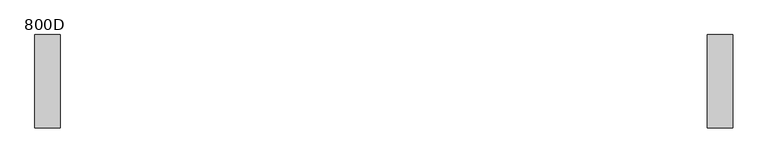
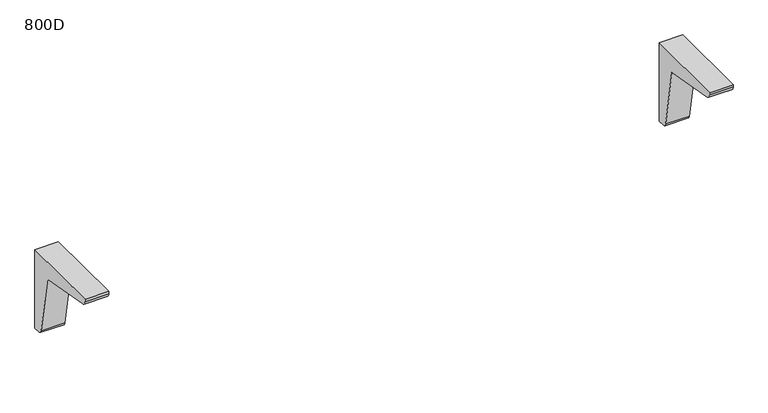
"""IFC4 building model written with IfcOpenShell, lengths in millimetres: furniture geometry, 800D."""

from ifc_helpers import new_model, si_unit, point, frame, frame_2d, origin, place, context, project, spatial, polyline, circle_curve, trimmed, segment, composite_curve, outline, extrude, source, transform, mapped, element, save


def furniture_800d_c79cfa88(model_context):
    return source(origin(), model_context, "Body", "SweptSolid", [
        extrude(outline(composite_curve([segment(polyline([(0.0, 711.0), (0.0, 535.0), (-13.6, 535.0)]), True, "CONTINUOUS"), segment(trimmed(circle_curve(frame_2d((-13.6, 545.0)), 10.0), [point((-13.6, 535.0))], [point((-23.4480775, 543.2635182))], False, "CARTESIAN"), True, "CONTINUOUS"), segment(polyline([(-23.4480775, 543.2635182), (-46.2755353, 672.7244647), (-175.7393463, 695.5524276)]), True, "CONTINUOUS"), segment(trimmed(circle_curve(frame_2d((-173.2638671, 706.0)), 10.7368416), [point((-175.7393463, 695.5524276))], [point((-184.0007087, 706.0))], False, "CARTESIAN"), True, "CONTINUOUS"), segment(polyline([(-184.0007087, 706.0), (-184.0007087, 711.0), (0.0, 711.0)]), True, "CONTINUOUS")], self_intersect=False)), frame((636.9, 0.0, 0.0), z_axis=(1.0, 0.0, 0.0), x_axis=(0.0, 1.0, 0.0)), (0.0, 0.0, 1.0), 50.0),
        extrude(outline(composite_curve([segment(polyline([(0.0, 711.0), (0.0, 535.0), (-13.6, 535.0)]), True, "CONTINUOUS"), segment(trimmed(circle_curve(frame_2d((-13.6, 545.0)), 10.0), [point((-13.6, 535.0))], [point((-23.4480775, 543.2635182))], False, "CARTESIAN"), True, "CONTINUOUS"), segment(polyline([(-23.4480775, 543.2635182), (-46.2755353, 672.7244647), (-175.7393463, 695.5524276)]), True, "CONTINUOUS"), segment(trimmed(circle_curve(frame_2d((-173.2638671, 706.0)), 10.7368416), [point((-175.7393463, 695.5524276))], [point((-184.0007087, 706.0))], False, "CARTESIAN"), True, "CONTINUOUS"), segment(polyline([(-184.0007087, 706.0), (-184.0007087, 711.0), (0.0, 711.0)]), True, "CONTINUOUS")], self_intersect=False)), frame((-686.9, 0.0, 0.0), z_axis=(1.0, 0.0, 0.0), x_axis=(0.0, 1.0, 0.0)), (0.0, 0.0, 1.0), 50.0),
    ])


if __name__ == "__main__":
    model = new_model("IFC4")
    model_context = context("Model", 3, world=origin())
    ifc_project = project(units=[si_unit("LENGTHUNIT", "METRE", prefix="MILLI")], contexts=[model_context])
    site = spatial("IfcSite", under=ifc_project)
    building = spatial("IfcBuilding", under=site)
    placement = place(None, origin())
    furniture_800d_shape = furniture_800d_c79cfa88(model_context)
    element("IfcFurniture", 1, ObjectType="800D", at=placement, inside=building, context=model_context, shape_type="MappedRepresentation", body=[
        mapped(furniture_800d_shape, transform((0.0, 0.0, 0.0), x_axis=(1.0, 0.0, 0.0), y_axis=(0.0, 1.0, 0.0), z_axis=(0.0, 0.0, 1.0))),
    ])
    save(model, "model.ifc")
